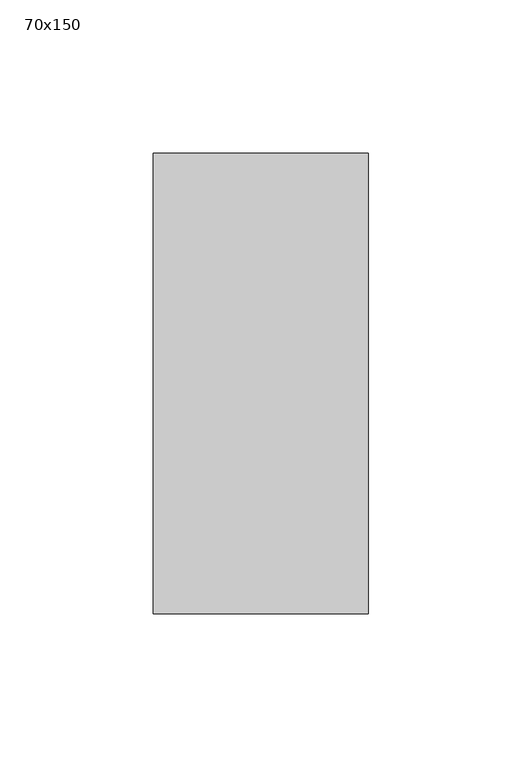
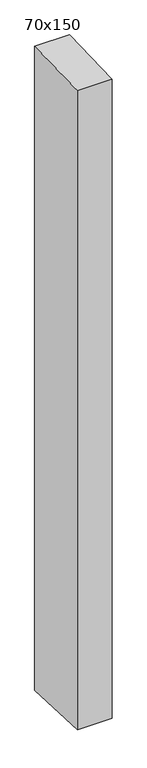
"""IFC4 building model written with IfcOpenShell, lengths in millimetres: member geometry, 70x150."""

from ifc_helpers import new_model, si_unit, frame, origin, place, context, project, spatial, polyline, outline, extrude, source, transform, mapped, element, save


def member_70x150_a2cf8814(model_context):
    return source(origin(), model_context, "Body", "SweptSolid", [
        extrude(outline(polyline([(-75.0, -1.8591782), (75.0, 1.8591782), (75.0, -1375.8792411), (-75.0, -1369.8087387), (-75.0, -1.8591782)])), frame((-70.0, 0.0, 0.0), z_axis=(1.0, 0.0, 0.0), x_axis=(0.0, 1.0, 0.0)), (0.0, 0.0, 1.0), 70.0),
    ])


if __name__ == "__main__":
    model = new_model("IFC4")
    model_context = context("Model", 3, world=origin())
    ifc_project = project(units=[si_unit("LENGTHUNIT", "METRE", prefix="MILLI")], contexts=[model_context])
    site = spatial("IfcSite", under=ifc_project)
    building = spatial("IfcBuilding", under=site)
    placement = place(None, origin())
    member_70x150_shape = member_70x150_a2cf8814(model_context)
    element("IfcMember", 1, ObjectType="70x150", at=placement, inside=building, context=model_context, shape_type="MappedRepresentation", body=[
        mapped(member_70x150_shape, transform((0.0, 0.0, 0.0), x_axis=(1.0, 0.0, 0.0), y_axis=(0.0, 1.0, 0.0), z_axis=(0.0, 0.0, 1.0))),
    ])
    save(model, "model.ifc")
